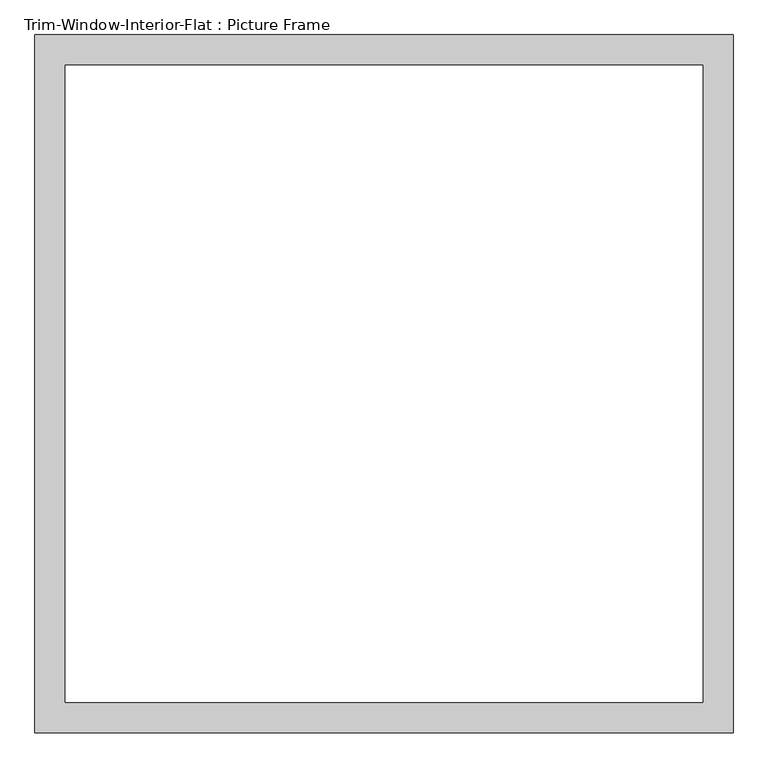
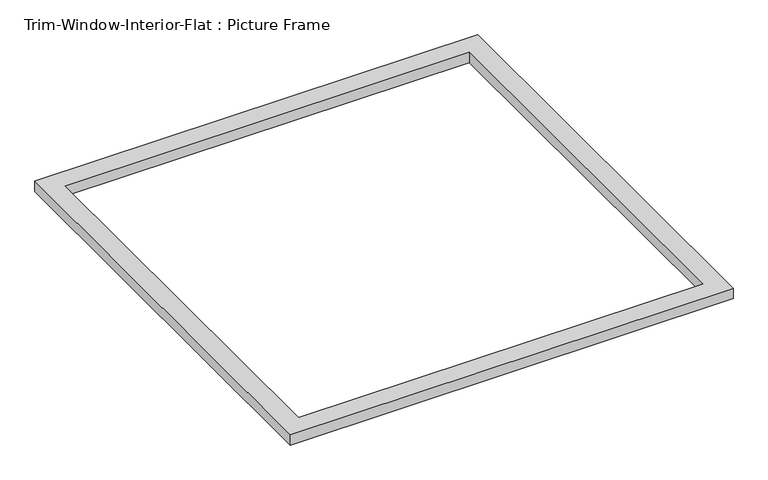
"""IFC4 building model written with IfcOpenShell, lengths in millimetres: proxy geometry, Trim-Window-Interior-Flat : Picture Frame."""

from ifc_helpers import new_model, si_unit, origin, origin_with_axes, place, context, project, spatial, polyline, outline, extrude, source, transform, mapped, element, save


def trim_window_interior_flat_picture_frame_f1e0b15b(model_context):
    return source(origin(), model_context, "Body", "SweptSolid", [
        extrude(outline(polyline([(654.05, 44.45), (654.05, -1263.65), (-654.05, -1263.65), (-654.05, 44.45), (654.05, 44.45)]), holes=[polyline([(596.9, -12.7), (-596.9, -12.7), (-596.9, -1206.5), (596.9, -1206.5), (596.9, -12.7)])]), origin_with_axes(), (0.0, 0.0, 1.0), 31.75),
    ])


if __name__ == "__main__":
    model = new_model("IFC4")
    model_context = context("Model", 3, world=origin())
    ifc_project = project(units=[si_unit("LENGTHUNIT", "METRE", prefix="MILLI")], contexts=[model_context])
    site = spatial("IfcSite", under=ifc_project)
    building = spatial("IfcBuilding", under=site)
    placement = place(None, origin())
    trim_window_interior_flat_picture_frame_shape = trim_window_interior_flat_picture_frame_f1e0b15b(model_context)
    element("IfcBuildingElementProxy", 1, Name="Trim-Window-Interior-Flat : Picture Frame", ObjectType="Trim-Window-Interior-Flat : Picture Frame", at=placement, inside=building, context=model_context, shape_type="MappedRepresentation", body=[
        mapped(trim_window_interior_flat_picture_frame_shape, transform((0.0, 0.0, 0.0), x_axis=(1.0, 0.0, 0.0), y_axis=(0.0, 1.0, 0.0), z_axis=(0.0, 0.0, 1.0))),
    ])
    save(model, "model.ifc")
